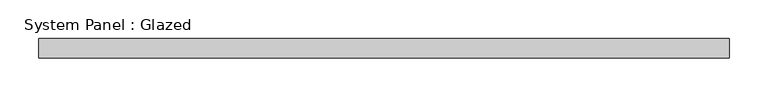
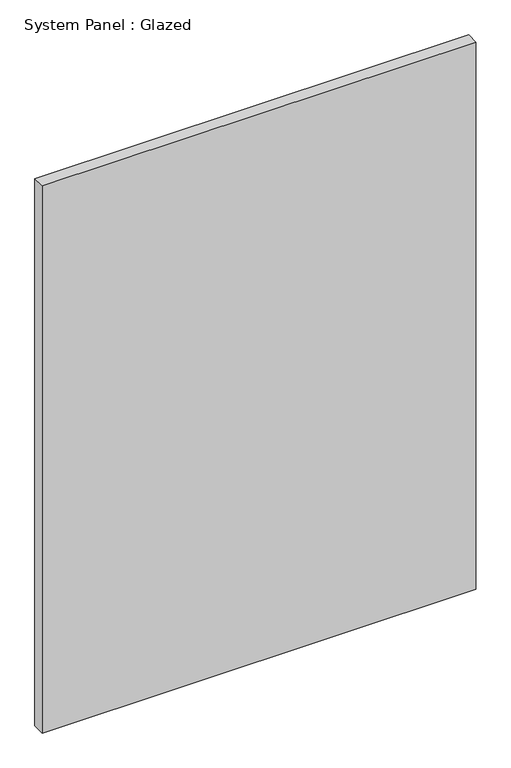
"""IFC4 building model written with IfcOpenShell, lengths in millimetres: plate geometry, System Panel : Glazed."""

from ifc_helpers import new_model, si_unit, origin, origin_with_axes, place, context, project, spatial, polyline, outline, extrude, source, transform, mapped, element, save


def system_panel_glazed_160eb20c(model_context):
    return source(origin(), model_context, "Body", "SweptSolid", [
        extrude(outline(polyline([(444.9757381, -12.7), (-444.9757381, -12.7), (-444.9757381, 12.7), (444.9757381, 12.7), (444.9757381, -12.7)])), origin_with_axes(), (0.0, 0.0, 1.0), 1187.45),
    ])


if __name__ == "__main__":
    model = new_model("IFC4")
    model_context = context("Model", 3, world=origin())
    ifc_project = project(units=[si_unit("LENGTHUNIT", "METRE", prefix="MILLI")], contexts=[model_context])
    site = spatial("IfcSite", under=ifc_project)
    building = spatial("IfcBuilding", under=site)
    placement = place(None, origin())
    system_panel_glazed_shape = system_panel_glazed_160eb20c(model_context)
    element("IfcPlate", 1, ObjectType="System Panel : Glazed", at=placement, inside=building, context=model_context, shape_type="MappedRepresentation", body=[
        mapped(system_panel_glazed_shape, transform((0.0, 0.0, 0.0), x_axis=(1.0, 0.0, 0.0), y_axis=(0.0, 1.0, 0.0), z_axis=(0.0, 0.0, 1.0))),
    ])
    save(model, "model.ifc")
